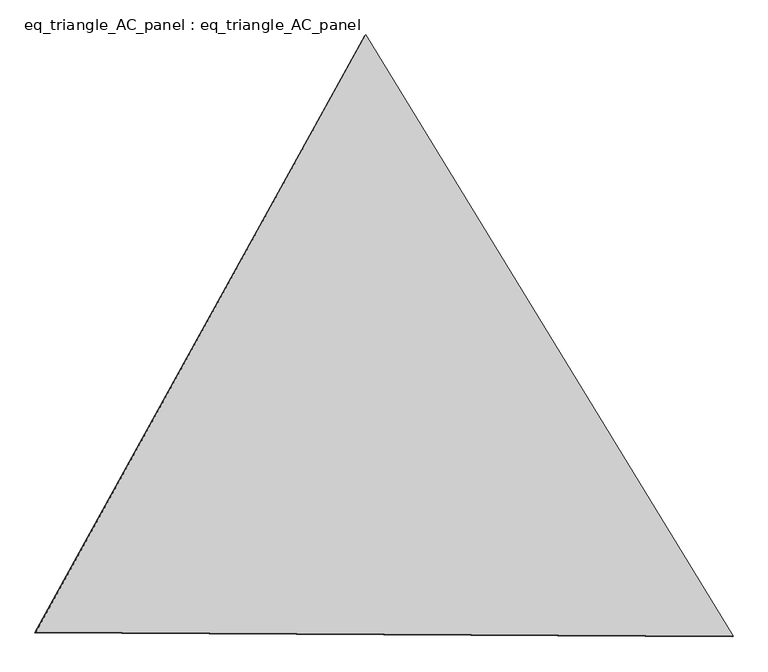
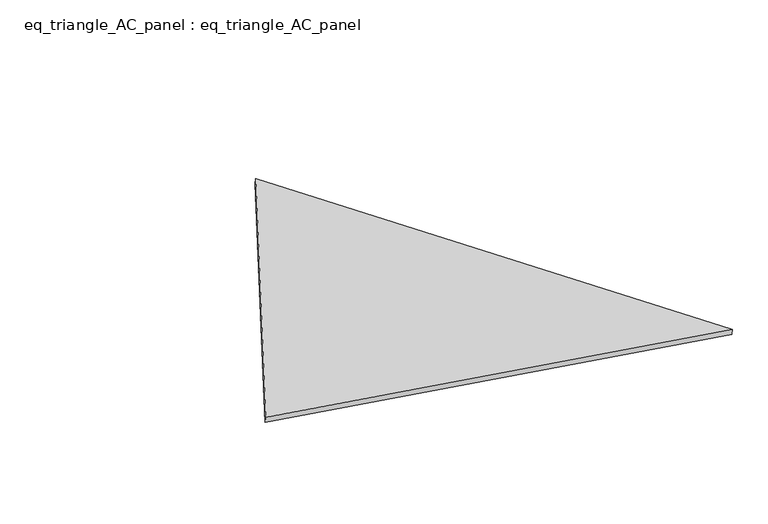
"""IFC4 building model written with IfcOpenShell, lengths in millimetres: proxy geometry, eq_triangle_AC_panel : eq_triangle_AC_panel."""

from ifc_helpers import new_model, si_unit, frame, origin, place, context, project, spatial, polyline, outline, extrude, source, transform, mapped, element, save


def eq_triangle_ac_panel_eq_triangle_ac_panel_b7dbb060(model_context):
    return source(origin(), model_context, "Body", "SweptSolid", [
        extrude(outline(polyline([(-2032.8142608, 1173.1688096), (2091.3006323, 1173.1688096), (-58.4863717, -2346.3376192), (-2032.8142608, 1173.1688096)])), frame((0.0038051, 527.9290861, 89.8240019), z_axis=(0.1452632851805831, 0.08386570281802143, 0.9858321976225893), x_axis=(0.5211221369017119, -0.8534718671835135, -0.004182147448477061)), (0.0, 0.0, 1.0), 43.8306294),
    ])


if __name__ == "__main__":
    model = new_model("IFC4")
    model_context = context("Model", 3, world=origin())
    ifc_project = project(units=[si_unit("LENGTHUNIT", "METRE", prefix="MILLI")], contexts=[model_context])
    site = spatial("IfcSite", under=ifc_project)
    building = spatial("IfcBuilding", under=site)
    placement = place(None, origin())
    eq_triangle_ac_panel_eq_triangle_ac_panel_shape = eq_triangle_ac_panel_eq_triangle_ac_panel_b7dbb060(model_context)
    element("IfcBuildingElementProxy", 1, Name="eq_triangle_AC_panel : eq_triangle_AC_panel", ObjectType="eq_triangle_AC_panel : eq_triangle_AC_panel", at=placement, inside=building, context=model_context, shape_type="MappedRepresentation", body=[
        mapped(eq_triangle_ac_panel_eq_triangle_ac_panel_shape, transform((0.0, 0.0, 0.0), x_axis=(1.0, 0.0, 0.0), y_axis=(0.0, 1.0, 0.0), z_axis=(0.0, 0.0, 1.0))),
    ])
    save(model, "model.ifc")
